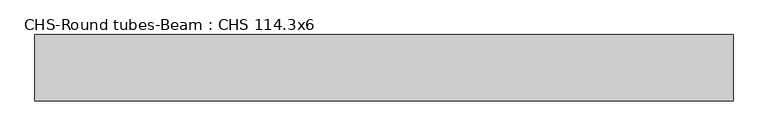
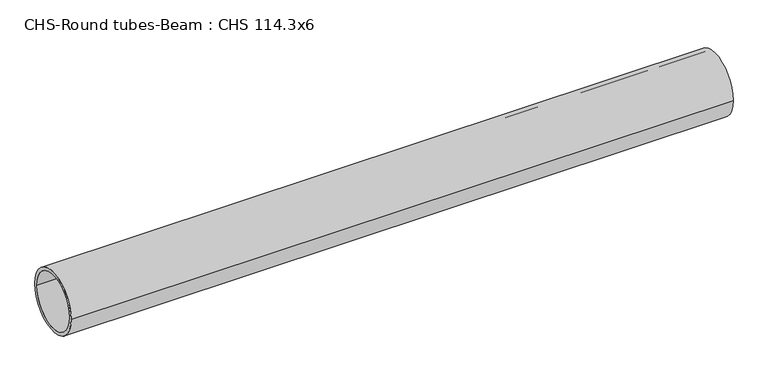
"""IFC4 building model written with IfcOpenShell, lengths in millimetres: beam geometry, CHS-Round tubes-Beam : CHS 114.3x6."""

from ifc_helpers import new_model, si_unit, point, frame, origin, origin_2d, place, context, project, spatial, circle_curve, trimmed, segment, composite_curve, outline, extrude, source, transform, mapped, element, save


def chs_round_tubes_beam_chs_114_3x6_50fb52e6(model_context):
    return source(origin(), model_context, "Body", "SweptSolid", [
        extrude(outline(composite_curve([segment(trimmed(circle_curve(origin_2d(), 57.15), [point((57.15, 0.0))], [point((-57.15, 0.0))], False, "CARTESIAN"), True, "CONTINUOUS"), segment(trimmed(circle_curve(origin_2d(), 57.15), [point((-57.15, 0.0))], [point((57.15, 0.0))], False, "CARTESIAN"), True, "CONTINUOUS")], self_intersect=False), holes=[composite_curve([segment(trimmed(circle_curve(origin_2d(), 51.15), [point((51.15, 0.0))], [point((-51.15, 0.0))], True, "CARTESIAN"), True, "CONTINUOUS"), segment(trimmed(circle_curve(origin_2d(), 51.15), [point((-51.15, 0.0))], [point((51.15, 0.0))], True, "CARTESIAN"), True, "CONTINUOUS")], self_intersect=False)]), frame((-572.1102733, 0.0, 0.0), z_axis=(1.0, 0.0, 0.0), x_axis=(0.0, 1.0, 0.0)), (0.0, 0.0, 1.0), 1205.0923584),
    ])


if __name__ == "__main__":
    model = new_model("IFC4")
    model_context = context("Model", 3, world=origin())
    ifc_project = project(units=[si_unit("LENGTHUNIT", "METRE", prefix="MILLI")], contexts=[model_context])
    site = spatial("IfcSite", under=ifc_project)
    building = spatial("IfcBuilding", under=site)
    placement = place(None, origin())
    chs_round_tubes_beam_chs_114_3x6_shape = chs_round_tubes_beam_chs_114_3x6_50fb52e6(model_context)
    element("IfcBeam", 1, ObjectType="CHS-Round tubes-Beam : CHS 114.3x6", at=placement, inside=building, context=model_context, shape_type="MappedRepresentation", body=[
        mapped(chs_round_tubes_beam_chs_114_3x6_shape, transform((0.0, 0.0, 0.0), x_axis=(1.0, 0.0, 0.0), y_axis=(0.0, 1.0, 0.0), z_axis=(0.0, 0.0, 1.0))),
    ])
    save(model, "model.ifc")
